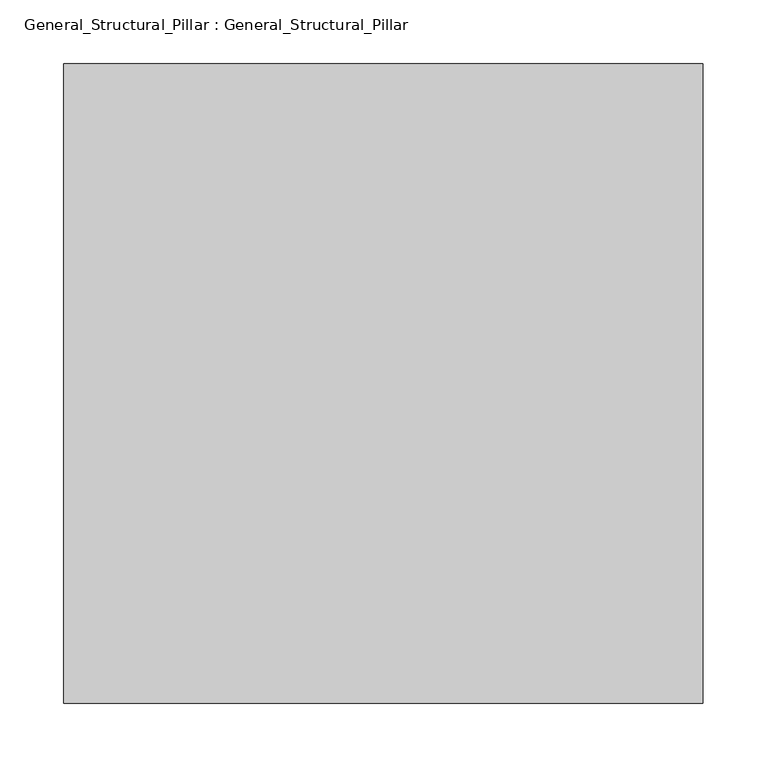
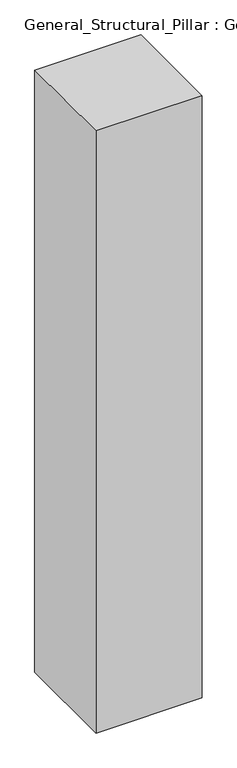
"""IFC4 building model written with IfcOpenShell, lengths in millimetres: column geometry, General_Structural_Pillar : General_Structural_Pillar."""

from ifc_helpers import new_model, si_unit, origin, origin_with_axes, place, context, project, spatial, polyline, outline, extrude, source, transform, mapped, element, save


def general_structural_pillar_general_structural_pillar_835798c1(model_context):
    return source(origin(), model_context, "Body", "SweptSolid", [
        extrude(outline(polyline([(250.0, 250.0), (250.0, -250.0), (-250.0, -250.0), (-250.0, 250.0), (250.0, 250.0)])), origin_with_axes(), (0.0, 0.0, 1.0), 3000.0),
    ])


if __name__ == "__main__":
    model = new_model("IFC4")
    model_context = context("Model", 3, world=origin())
    ifc_project = project(units=[si_unit("LENGTHUNIT", "METRE", prefix="MILLI")], contexts=[model_context])
    site = spatial("IfcSite", under=ifc_project)
    building = spatial("IfcBuilding", under=site)
    placement = place(None, origin())
    general_structural_pillar_general_structural_pillar_shape = general_structural_pillar_general_structural_pillar_835798c1(model_context)
    element("IfcColumn", 1, ObjectType="General_Structural_Pillar : General_Structural_Pillar", at=placement, inside=building, context=model_context, shape_type="MappedRepresentation", body=[
        mapped(general_structural_pillar_general_structural_pillar_shape, transform((0.0, 0.0, 0.0), x_axis=(1.0, 0.0, 0.0), y_axis=(0.0, 1.0, 0.0), z_axis=(0.0, 0.0, 1.0))),
    ])
    save(model, "model.ifc")
